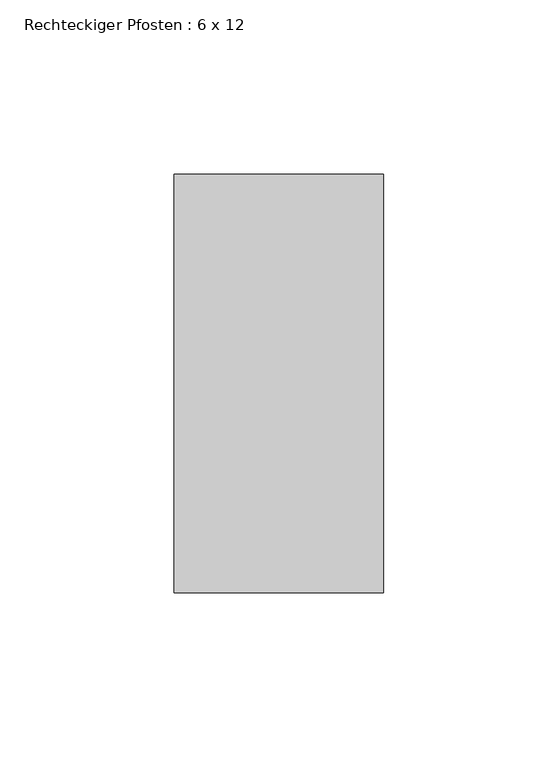
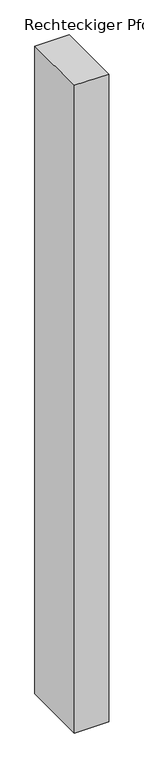
"""IFC4 building model written with IfcOpenShell, lengths in millimetres: member geometry, Rechteckiger Pfosten : 6 x 12."""

from ifc_helpers import new_model, si_unit, frame, origin, place, context, project, spatial, polyline, outline, extrude, source, transform, mapped, element, save


def rechteckiger_pfosten_6_x_12_1631a10d(model_context):
    return source(origin(), model_context, "Body", "SweptSolid", [
        extrude(outline(polyline([(0.0, 60.0), (0.0, -60.0), (-60.0, -60.0), (-60.0, 60.0), (0.0, 60.0)])), frame((0.0, 0.0, -1200.625), z_axis=(0.0, 0.0, 1.0), x_axis=(1.0, 0.0, 0.0)), (0.0, 0.0, 1.0), 1200.625),
    ])


if __name__ == "__main__":
    model = new_model("IFC4")
    model_context = context("Model", 3, world=origin())
    ifc_project = project(units=[si_unit("LENGTHUNIT", "METRE", prefix="MILLI")], contexts=[model_context])
    site = spatial("IfcSite", under=ifc_project)
    building = spatial("IfcBuilding", under=site)
    placement = place(None, origin())
    rechteckiger_pfosten_6_x_12_shape = rechteckiger_pfosten_6_x_12_1631a10d(model_context)
    element("IfcMember", 1, ObjectType="Rechteckiger Pfosten : 6 x 12", at=placement, inside=building, context=model_context, shape_type="MappedRepresentation", body=[
        mapped(rechteckiger_pfosten_6_x_12_shape, transform((0.0, 0.0, 0.0), x_axis=(1.0, 0.0, 0.0), y_axis=(0.0, 1.0, 0.0), z_axis=(0.0, 0.0, 1.0))),
    ])
    save(model, "model.ifc")
